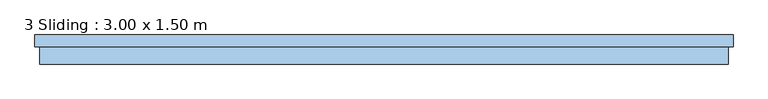
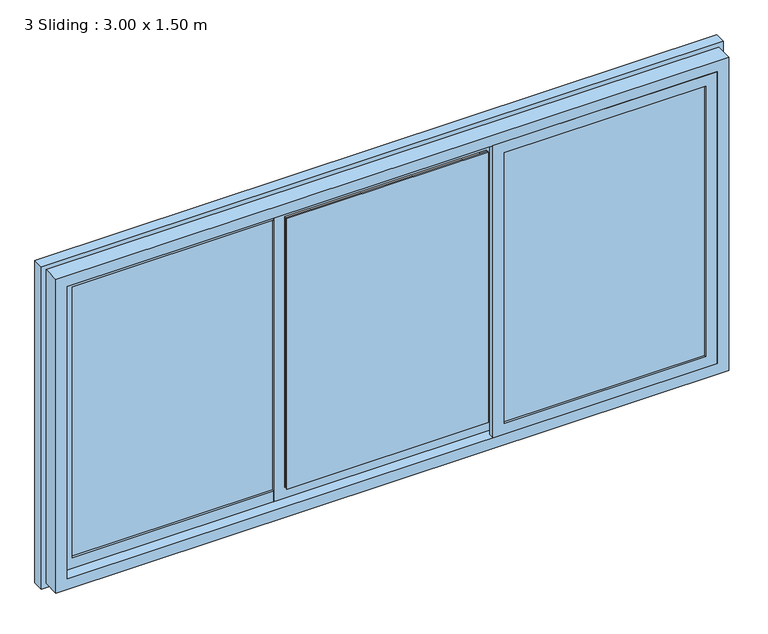
"""IFC4 building model written with IfcOpenShell, lengths in millimetres: window geometry, 3 Sliding : 3.00 x 1.50 m."""

from ifc_helpers import new_model, si_unit, frame, origin, place, context, project, spatial, polyline, outline, extrude, source, transform, mapped, element, save


def window_3_sliding_3_00_x_1_50_m_a8e97480(model_context):
    return source(origin(), model_context, "Body", "SweptSolid", [
        extrude(outline(polyline([(1337.5103168, -84.5), (1337.5103168, -90.5), (450.8436501, -90.5), (450.8436501, -84.5), (1337.5103168, -84.5)])), frame((0.0, 0.0, 920.0), z_axis=(0.0, 0.0, 1.0), x_axis=(1.0, 0.0, 0.0)), (0.0, 0.0, 1.0), 1260.0),
        extrude(outline(polyline([(-485.8230165, -59.5), (400.8436501, -59.5), (400.8436501, -65.5), (-485.8230165, -65.5), (-485.8230165, -59.5)])), frame((0.0, 0.0, 920.0), z_axis=(0.0, 0.0, 1.0), x_axis=(1.0, 0.0, 0.0)), (0.0, 0.0, 1.0), 1260.0),
        extrude(outline(polyline([(-535.8230165, -34.5), (-535.8230165, -40.5), (-1422.4896832, -40.5), (-1422.4896832, -34.5), (-535.8230165, -34.5)])), frame((0.0, 0.0, 920.0), z_axis=(0.0, 0.0, 1.0), x_axis=(1.0, 0.0, 0.0)), (0.0, 0.0, 1.0), 1260.0),
        extrude(outline(polyline([(870.0, 1387.5103168), (2230.0, 1387.5103168), (2230.0, 400.8436501), (870.0, 400.8436501), (870.0, 1387.5103168)]), holes=[polyline([(920.0, 450.8436501), (2180.0, 450.8436501), (2180.0, 1337.5103168), (920.0, 1337.5103168), (920.0, 450.8436501)])]), frame((0.0, -100.0, 0.0), z_axis=(0.0, 1.0, 0.0), x_axis=(0.0, 0.0, 1.0)), (0.0, 0.0, 1.0), 25.0),
        extrude(outline(polyline([(870.0, 450.8436501), (2230.0, 450.8436501), (2230.0, -535.8230165), (870.0, -535.8230165), (870.0, 450.8436501)]), holes=[polyline([(920.0, -485.8230165), (2180.0, -485.8230165), (2180.0, 400.8436501), (920.0, 400.8436501), (920.0, -485.8230165)])]), frame((0.0, -50.0, 0.0), z_axis=(0.0, 1.0, 0.0), x_axis=(0.0, 0.0, 1.0)), (0.0, 0.0, 1.0), 50.0),
        extrude(outline(polyline([(870.0, -485.8230165), (2230.0, -485.8230165), (2230.0, -1472.4896832), (870.0, -1472.4896832), (870.0, -485.8230165)]), holes=[polyline([(920.0, -1422.4896832), (2180.0, -1422.4896832), (2180.0, -535.8230165), (920.0, -535.8230165), (920.0, -1422.4896832)])]), frame((0.0, -50.0, 0.0), z_axis=(0.0, 1.0, 0.0), x_axis=(0.0, 0.0, 1.0)), (0.0, 0.0, 1.0), 25.0),
        extrude(outline(polyline([(820.0, 1437.5103168), (2280.0, 1437.5103168), (2280.0, -1522.4896832), (820.0, -1522.4896832), (820.0, 1437.5103168)]), holes=[polyline([(870.0, -1472.4896832), (2230.0, -1472.4896832), (2230.0, 1387.5103168), (870.0, 1387.5103168), (870.0, -1472.4896832)])]), frame((0.0, -100.0, 0.0), z_axis=(0.0, 1.0, 0.0), x_axis=(0.0, 0.0, 1.0)), (0.0, 0.0, 1.0), 75.0),
        extrude(outline(polyline([(2300.0, -1542.4896832), (800.0, -1542.4896832), (800.0, 1457.5103168), (2300.0, 1457.5103168), (2300.0, -1542.4896832)]), holes=[polyline([(2280.0, 1437.5103168), (820.0, 1437.5103168), (820.0, -1522.4896832), (2280.0, -1522.4896832), (2280.0, 1437.5103168)])]), frame((0.0, -25.0, 0.0), z_axis=(0.0, 1.0, 0.0), x_axis=(0.0, 0.0, 1.0)), (0.0, 0.0, 1.0), 50.0),
    ])


if __name__ == "__main__":
    model = new_model("IFC4")
    model_context = context("Model", 3, world=origin())
    ifc_project = project(units=[si_unit("LENGTHUNIT", "METRE", prefix="MILLI")], contexts=[model_context])
    site = spatial("IfcSite", under=ifc_project)
    building = spatial("IfcBuilding", under=site)
    placement = place(None, origin())
    window_3_sliding_3_00_x_1_50_m_shape = window_3_sliding_3_00_x_1_50_m_a8e97480(model_context)
    element("IfcWindow", 1, ObjectType="3 Sliding : 3.00 x 1.50 m", at=placement, inside=building, context=model_context, shape_type="MappedRepresentation", body=[
        mapped(window_3_sliding_3_00_x_1_50_m_shape, transform((0.0, 0.0, 0.0), x_axis=(1.0, 0.0, 0.0), y_axis=(0.0, 1.0, 0.0), z_axis=(0.0, 0.0, 1.0))),
    ])
    save(model, "model.ifc")
